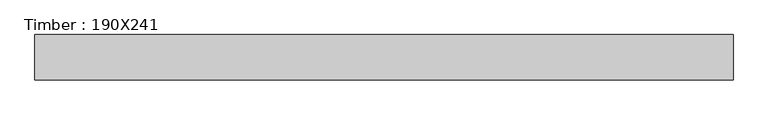
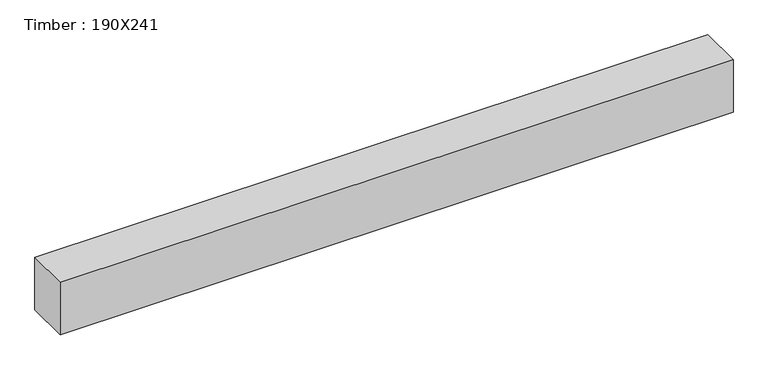
"""IFC4 building model written with IfcOpenShell, lengths in millimetres: beam geometry, Timber : 190X241."""

from ifc_helpers import new_model, si_unit, frame, origin, place, context, project, spatial, polyline, outline, extrude, source, transform, mapped, element, save


def timber_190x241_e5775afb(model_context):
    return source(origin(), model_context, "Body", "SweptSolid", [
        extrude(outline(polyline([(1401.0, -95.0), (-1522.0, -95.0), (-1522.0, 95.0), (1401.0, 95.0), (1401.0, -95.0)])), frame((0.0, 0.0, -120.5), z_axis=(0.0, 0.0, 1.0), x_axis=(1.0, 0.0, 0.0)), (0.0, 0.0, 1.0), 241.0),
    ])


if __name__ == "__main__":
    model = new_model("IFC4")
    model_context = context("Model", 3, world=origin())
    ifc_project = project(units=[si_unit("LENGTHUNIT", "METRE", prefix="MILLI")], contexts=[model_context])
    site = spatial("IfcSite", under=ifc_project)
    building = spatial("IfcBuilding", under=site)
    placement = place(None, origin())
    timber_190x241_shape = timber_190x241_e5775afb(model_context)
    element("IfcBeam", 1, ObjectType="Timber : 190X241", at=placement, inside=building, context=model_context, shape_type="MappedRepresentation", body=[
        mapped(timber_190x241_shape, transform((0.0, 0.0, 0.0), x_axis=(1.0, 0.0, 0.0), y_axis=(0.0, 1.0, 0.0), z_axis=(0.0, 0.0, 1.0))),
    ])
    save(model, "model.ifc")
